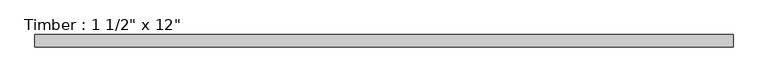
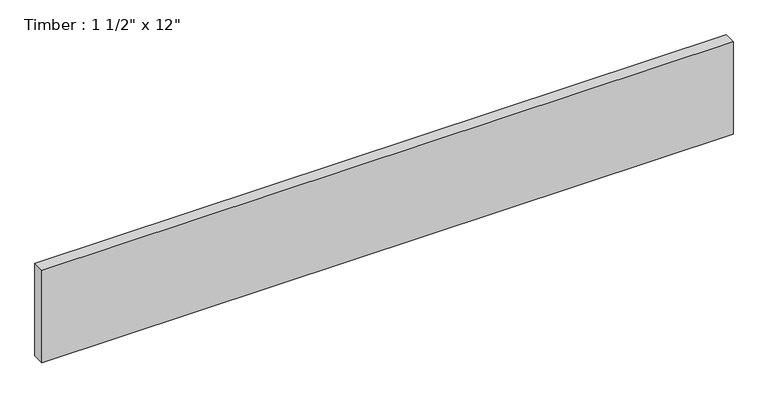
"""IFC4 building model written with IfcOpenShell, lengths in millimetres: beam geometry."""

import ifcopenshell
import ifcopenshell.guid

model = None  # the IFC model being written
_history = None  # IfcOwnerHistory: only IFC2X3 demands one
_inside = {}  # id of a spatial element -> (the spatial element, [elements in it])
_under = {}  # id of a project, library or spatial element -> (it, [spatial elements below it])
_declared = {}  # id of a project -> (the project, [libraries it declares])
_typed = {}  # id of a type object -> (the type object, [elements of that type])
_made_of = {}  # id of a material, layer set ... -> (it, [elements and type objects made of it])


def new_model(schema):
    """Start an empty IFC model of exactly this schema.

    Asked for "IFC4X3", IfcOpenShell would pick the latest addendum, in which some entities
    have other attributes; the version numbers below select the first issue.
    IFC2X3 requires an IfcOwnerHistory on every rooted entity: one is made here for all.
    """
    global model, _history
    if schema == "IFC4X3":
        model = ifcopenshell.file(schema_version=(4, 3, 0, 0))
    else:
        model = ifcopenshell.file(schema=schema)
    _inside.clear()
    _under.clear()
    _declared.clear()
    _typed.clear()
    _made_of.clear()
    _history = None
    if model.schema == "IFC2X3":
        org = make("IfcOrganization", Name="unknown")
        user = make(
            "IfcPersonAndOrganization",
            ThePerson=make("IfcPerson", FamilyName="unknown"),
            TheOrganization=org,
        )
        app = make(
            "IfcApplication",
            ApplicationDeveloper=org,
            Version="unknown",
            ApplicationFullName="unknown",
            ApplicationIdentifier="unknown",
        )
        _history = make(
            "IfcOwnerHistory",
            OwningUser=user,
            OwningApplication=app,
            ChangeAction="ADDED",
            CreationDate=0,
        )
    return model


def make(cls, **values):
    """One entity of the class cls with the attributes given. An attribute that is None is left unset."""
    return model.create_entity(
        cls, **{name: value for name, value in values.items() if value is not None}
    )


def rooted(cls, **values):
    """An entity with a GlobalId (a new one), such as an element, a storey or a relation."""
    return make(cls, GlobalId=ifcopenshell.guid.new(), OwnerHistory=_history, **values)


def si_unit(unit_type, name, prefix=None):
    """IfcSIUnit, for example si_unit("LENGTHUNIT", "METRE", prefix="MILLI")."""
    return make("IfcSIUnit", UnitType=unit_type, Prefix=prefix, Name=name)


def assignment(units):
    """IfcUnitAssignment: the units of a project."""
    return None if units is None else make("IfcUnitAssignment", Units=units)


def point(xyz):
    """IfcCartesianPoint."""
    return None if xyz is None else make("IfcCartesianPoint", Coordinates=xyz)


def direction(xyz):
    """IfcDirection."""
    return None if xyz is None else make("IfcDirection", DirectionRatios=xyz)


def frame(location, z_axis=None, x_axis=None):
    """IfcAxis2Placement3D, a coordinate frame: its origin and axes. An axis left out is left unset."""
    return make(
        "IfcAxis2Placement3D",
        Location=point(location),
        Axis=direction(z_axis),
        RefDirection=direction(x_axis),
    )


def origin():
    """The frame at (0, 0, 0) with its axes left unset."""
    return frame((0.0, 0.0, 0.0))


def place(relative_to, where):
    """IfcLocalPlacement: puts the frame where relative to a parent placement (None: the world)."""
    return make(
        "IfcLocalPlacement", PlacementRelTo=relative_to, RelativePlacement=where
    )


def context(
    kind, dimensions, precision=None, world=None, true_north=None, identifier=None
):
    """IfcGeometricRepresentationContext, for example the 3D "Model" context."""
    return make(
        "IfcGeometricRepresentationContext",
        ContextIdentifier=identifier,
        ContextType=kind,
        CoordinateSpaceDimension=dimensions,
        Precision=precision,
        WorldCoordinateSystem=world,
        TrueNorth=true_north,
    )


def project(units=None, contexts=None):
    """IfcProject with its units and contexts."""
    return rooted(
        "IfcProject",
        Name="project",
        RepresentationContexts=contexts,
        UnitsInContext=assignment(units),
    )


def spatial(cls, under=None, at=None, **own):
    """A site, building, storey or space (cls), placed at a placement, below another one or the project."""
    s = rooted(cls, ObjectPlacement=at, **own)
    if under is not None:
        _under.setdefault(under.id(), (under, []))[1].append(s)
    return s


def polyline(points):
    """IfcPolyline through the points."""
    return make("IfcPolyline", Points=[point(p) for p in points])


def outline(outer, holes=None, kind="AREA"):
    """IfcArbitraryClosedProfileDef: a profile drawn as a closed curve; with holes, ...WithVoids."""
    if holes is None:
        return make("IfcArbitraryClosedProfileDef", ProfileType=kind, OuterCurve=outer)
    return make(
        "IfcArbitraryProfileDefWithVoids",
        ProfileType=kind,
        OuterCurve=outer,
        InnerCurves=holes,
    )


def extrude(swept, where, along, depth):
    """IfcExtrudedAreaSolid: the profile swept, set in the frame where, extruded along a direction by depth."""
    return make(
        "IfcExtrudedAreaSolid",
        SweptArea=swept,
        Position=where,
        ExtrudedDirection=direction(along),
        Depth=depth,
    )


def shape(context_of_items, identifier, shape_type, items):
    """IfcShapeRepresentation: the items that make up one representation, for example the "Body"."""
    return make(
        "IfcShapeRepresentation",
        ContextOfItems=context_of_items,
        RepresentationIdentifier=identifier,
        RepresentationType=shape_type,
        Items=items,
    )


def source(mapping_origin, context_of_items, identifier, shape_type, items):
    """IfcRepresentationMap: a shape defined once, which mapped items show again and again."""
    return make(
        "IfcRepresentationMap",
        MappingOrigin=mapping_origin,
        MappedRepresentation=shape(context_of_items, identifier, shape_type, items),
    )


def transform(
    local_origin,
    x_axis=None,
    y_axis=None,
    z_axis=None,
    scale=None,
    scale2=None,
    scale3=None,
    uniform=True,
):
    """IfcCartesianTransformationOperator3D, or its non-uniform kind. x_axis, y_axis, z_axis: its Axis1, 2, 3."""
    if uniform:
        return make(
            "IfcCartesianTransformationOperator3D",
            Axis1=direction(x_axis),
            Axis2=direction(y_axis),
            LocalOrigin=point(local_origin),
            Scale=scale,
            Axis3=direction(z_axis),
        )
    return make(
        "IfcCartesianTransformationOperator3DnonUniform",
        Axis1=direction(x_axis),
        Axis2=direction(y_axis),
        LocalOrigin=point(local_origin),
        Scale=scale,
        Axis3=direction(z_axis),
        Scale2=scale2,
        Scale3=scale3,
    )


def mapped(mapping_source, mapping_target):
    """IfcMappedItem: shows the shape of a source again, moved by a transform."""
    return make(
        "IfcMappedItem", MappingSource=mapping_source, MappingTarget=mapping_target
    )


def made_of(thing, what):
    """Note that an element or type object is made of a material, layer set ...; save() writes the relation."""
    if what is not None:
        _made_of.setdefault(what.id(), (what, []))[1].append(thing)
    return thing


def element(
    cls,
    number,
    at=None,
    inside=None,
    cuts=None,
    type_object=None,
    material=None,
    context=None,
    identifier="Body",
    shape_type=None,
    held_by="IfcProductDefinitionShape",
    body=None,
    shapes=None,
    **own,
):
    """One element of the class cls, such as IfcWall. Its Tag is "e" and its number.

    at: its placement. inside: the storey or other place that contains it. cuts: it is an
    opening in that element (IfcRelVoidsElement). A single representation is given by context,
    identifier, shape_type and body (its items); several are given by shapes. held_by: the class
    of the entity that holds the representations. save() writes the other relations.
    """
    e = rooted(cls, Tag="e%d" % number, ObjectPlacement=at, **own)
    if body is not None:
        shapes = [shape(context, identifier, shape_type, body)]
    if shapes is not None:
        e.Representation = make(held_by, Representations=shapes)
    if inside is not None:
        _inside.setdefault(inside.id(), (inside, []))[1].append(e)
    if cuts is not None:
        rooted(
            "IfcRelVoidsElement", RelatingBuildingElement=cuts, RelatedOpeningElement=e
        )
    if type_object is not None:
        _typed.setdefault(type_object.id(), (type_object, []))[1].append(e)
    return made_of(e, material)


def aggregate(whole, parts):
    """IfcRelAggregates: a whole, such as a stair, and the parts it consists of."""
    return rooted("IfcRelAggregates", RelatingObject=whole, RelatedObjects=parts)


def save(model, path):
    """Write the relations noted so far, then the file.

    IfcRelAggregates (storeys below a building ...), IfcRelContainedInSpatialStructure (elements
    in a storey), IfcRelDefinesByType, IfcRelAssociatesMaterial and IfcRelDeclares: one each for
    every whole, place, type object, material and project.
    """
    for whole, parts in _under.values():
        aggregate(whole, parts)
    for where, things in _inside.values():
        rooted(
            "IfcRelContainedInSpatialStructure",
            RelatedElements=things,
            RelatingStructure=where,
        )
    for kind, things in _typed.values():
        rooted("IfcRelDefinesByType", RelatedObjects=things, RelatingType=kind)
    for what, things in _made_of.values():
        rooted("IfcRelAssociatesMaterial", RelatedObjects=things, RelatingMaterial=what)
    for by, libraries in _declared.values():
        rooted("IfcRelDeclares", RelatingContext=by, RelatedDefinitions=libraries)
    model.write(path)


def beam_6c15a5e4(model_context):
    return source(origin(), model_context, "Body", "SweptSolid", [
        extrude(outline(polyline([(1078.2142277, 19.05), (1078.2142277, -19.05), (-1078.2142277, -19.05), (-1078.2142277, 19.05), (1078.2142277, 19.05)])), frame((0.0, 0.0, -152.4), z_axis=(0.0, 0.0, 1.0), x_axis=(1.0, 0.0, 0.0)), (0.0, 0.0, 1.0), 304.8),
    ])


if __name__ == "__main__":
    model = new_model("IFC4")
    model_context = context("Model", 3, world=origin())
    ifc_project = project(units=[si_unit("LENGTHUNIT", "METRE", prefix="MILLI")], contexts=[model_context])
    site = spatial("IfcSite", under=ifc_project)
    building = spatial("IfcBuilding", under=site)
    placement = place(None, origin())
    beam_shape = beam_6c15a5e4(model_context)
    element("IfcBeam", 1, ObjectType="Timber : 1 1/2\" x 12\"", at=placement, inside=building, context=model_context, shape_type="MappedRepresentation", body=[
        mapped(beam_shape, transform((0.0, 0.0, 0.0), x_axis=(1.0, 0.0, 0.0), y_axis=(0.0, 1.0, 0.0), z_axis=(0.0, 0.0, 1.0))),
    ])
    save(model, "model.ifc")
